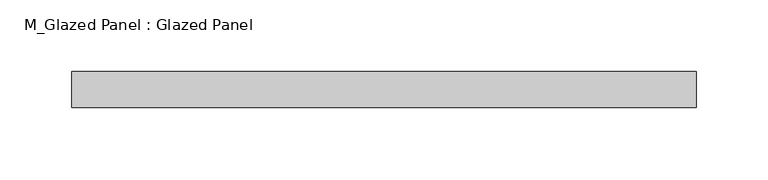
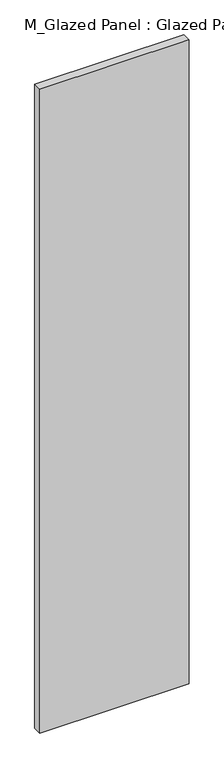
"""IFC4 building model written with IfcOpenShell, lengths in millimetres: plate geometry, M_Glazed Panel : Glazed Panel."""

import ifcopenshell
import ifcopenshell.guid

model = None  # the IFC model being written
_history = None  # IfcOwnerHistory: only IFC2X3 demands one
_inside = {}  # id of a spatial element -> (the spatial element, [elements in it])
_under = {}  # id of a project, library or spatial element -> (it, [spatial elements below it])
_declared = {}  # id of a project -> (the project, [libraries it declares])
_typed = {}  # id of a type object -> (the type object, [elements of that type])
_made_of = {}  # id of a material, layer set ... -> (it, [elements and type objects made of it])


def new_model(schema):
    """Start an empty IFC model of exactly this schema.

    Asked for "IFC4X3", IfcOpenShell would pick the latest addendum, in which some entities
    have other attributes; the version numbers below select the first issue.
    IFC2X3 requires an IfcOwnerHistory on every rooted entity: one is made here for all.
    """
    global model, _history
    if schema == "IFC4X3":
        model = ifcopenshell.file(schema_version=(4, 3, 0, 0))
    else:
        model = ifcopenshell.file(schema=schema)
    _inside.clear()
    _under.clear()
    _declared.clear()
    _typed.clear()
    _made_of.clear()
    _history = None
    if model.schema == "IFC2X3":
        org = make("IfcOrganization", Name="unknown")
        user = make(
            "IfcPersonAndOrganization",
            ThePerson=make("IfcPerson", FamilyName="unknown"),
            TheOrganization=org,
        )
        app = make(
            "IfcApplication",
            ApplicationDeveloper=org,
            Version="unknown",
            ApplicationFullName="unknown",
            ApplicationIdentifier="unknown",
        )
        _history = make(
            "IfcOwnerHistory",
            OwningUser=user,
            OwningApplication=app,
            ChangeAction="ADDED",
            CreationDate=0,
        )
    return model


def make(cls, **values):
    """One entity of the class cls with the attributes given. An attribute that is None is left unset."""
    return model.create_entity(
        cls, **{name: value for name, value in values.items() if value is not None}
    )


def rooted(cls, **values):
    """An entity with a GlobalId (a new one), such as an element, a storey or a relation."""
    return make(cls, GlobalId=ifcopenshell.guid.new(), OwnerHistory=_history, **values)


def si_unit(unit_type, name, prefix=None):
    """IfcSIUnit, for example si_unit("LENGTHUNIT", "METRE", prefix="MILLI")."""
    return make("IfcSIUnit", UnitType=unit_type, Prefix=prefix, Name=name)


def assignment(units):
    """IfcUnitAssignment: the units of a project."""
    return None if units is None else make("IfcUnitAssignment", Units=units)


def point(xyz):
    """IfcCartesianPoint."""
    return None if xyz is None else make("IfcCartesianPoint", Coordinates=xyz)


def direction(xyz):
    """IfcDirection."""
    return None if xyz is None else make("IfcDirection", DirectionRatios=xyz)


def frame(location, z_axis=None, x_axis=None):
    """IfcAxis2Placement3D, a coordinate frame: its origin and axes. An axis left out is left unset."""
    return make(
        "IfcAxis2Placement3D",
        Location=point(location),
        Axis=direction(z_axis),
        RefDirection=direction(x_axis),
    )


def origin():
    """The frame at (0, 0, 0) with its axes left unset."""
    return frame((0.0, 0.0, 0.0))


def origin_with_axes():
    """The frame at (0, 0, 0) with the z axis (0, 0, 1) and the x axis (1, 0, 0) written out."""
    return frame((0.0, 0.0, 0.0), z_axis=(0.0, 0.0, 1.0), x_axis=(1.0, 0.0, 0.0))


def place(relative_to, where):
    """IfcLocalPlacement: puts the frame where relative to a parent placement (None: the world)."""
    return make(
        "IfcLocalPlacement", PlacementRelTo=relative_to, RelativePlacement=where
    )


def context(
    kind, dimensions, precision=None, world=None, true_north=None, identifier=None
):
    """IfcGeometricRepresentationContext, for example the 3D "Model" context."""
    return make(
        "IfcGeometricRepresentationContext",
        ContextIdentifier=identifier,
        ContextType=kind,
        CoordinateSpaceDimension=dimensions,
        Precision=precision,
        WorldCoordinateSystem=world,
        TrueNorth=true_north,
    )


def project(units=None, contexts=None):
    """IfcProject with its units and contexts."""
    return rooted(
        "IfcProject",
        Name="project",
        RepresentationContexts=contexts,
        UnitsInContext=assignment(units),
    )


def spatial(cls, under=None, at=None, **own):
    """A site, building, storey or space (cls), placed at a placement, below another one or the project."""
    s = rooted(cls, ObjectPlacement=at, **own)
    if under is not None:
        _under.setdefault(under.id(), (under, []))[1].append(s)
    return s


def polyline(points):
    """IfcPolyline through the points."""
    return make("IfcPolyline", Points=[point(p) for p in points])


def outline(outer, holes=None, kind="AREA"):
    """IfcArbitraryClosedProfileDef: a profile drawn as a closed curve; with holes, ...WithVoids."""
    if holes is None:
        return make("IfcArbitraryClosedProfileDef", ProfileType=kind, OuterCurve=outer)
    return make(
        "IfcArbitraryProfileDefWithVoids",
        ProfileType=kind,
        OuterCurve=outer,
        InnerCurves=holes,
    )


def extrude(swept, where, along, depth):
    """IfcExtrudedAreaSolid: the profile swept, set in the frame where, extruded along a direction by depth."""
    return make(
        "IfcExtrudedAreaSolid",
        SweptArea=swept,
        Position=where,
        ExtrudedDirection=direction(along),
        Depth=depth,
    )


def shape(context_of_items, identifier, shape_type, items):
    """IfcShapeRepresentation: the items that make up one representation, for example the "Body"."""
    return make(
        "IfcShapeRepresentation",
        ContextOfItems=context_of_items,
        RepresentationIdentifier=identifier,
        RepresentationType=shape_type,
        Items=items,
    )


def source(mapping_origin, context_of_items, identifier, shape_type, items):
    """IfcRepresentationMap: a shape defined once, which mapped items show again and again."""
    return make(
        "IfcRepresentationMap",
        MappingOrigin=mapping_origin,
        MappedRepresentation=shape(context_of_items, identifier, shape_type, items),
    )


def transform(
    local_origin,
    x_axis=None,
    y_axis=None,
    z_axis=None,
    scale=None,
    scale2=None,
    scale3=None,
    uniform=True,
):
    """IfcCartesianTransformationOperator3D, or its non-uniform kind. x_axis, y_axis, z_axis: its Axis1, 2, 3."""
    if uniform:
        return make(
            "IfcCartesianTransformationOperator3D",
            Axis1=direction(x_axis),
            Axis2=direction(y_axis),
            LocalOrigin=point(local_origin),
            Scale=scale,
            Axis3=direction(z_axis),
        )
    return make(
        "IfcCartesianTransformationOperator3DnonUniform",
        Axis1=direction(x_axis),
        Axis2=direction(y_axis),
        LocalOrigin=point(local_origin),
        Scale=scale,
        Axis3=direction(z_axis),
        Scale2=scale2,
        Scale3=scale3,
    )


def mapped(mapping_source, mapping_target):
    """IfcMappedItem: shows the shape of a source again, moved by a transform."""
    return make(
        "IfcMappedItem", MappingSource=mapping_source, MappingTarget=mapping_target
    )


def made_of(thing, what):
    """Note that an element or type object is made of a material, layer set ...; save() writes the relation."""
    if what is not None:
        _made_of.setdefault(what.id(), (what, []))[1].append(thing)
    return thing


def element(
    cls,
    number,
    at=None,
    inside=None,
    cuts=None,
    type_object=None,
    material=None,
    context=None,
    identifier="Body",
    shape_type=None,
    held_by="IfcProductDefinitionShape",
    body=None,
    shapes=None,
    **own,
):
    """One element of the class cls, such as IfcWall. Its Tag is "e" and its number.

    at: its placement. inside: the storey or other place that contains it. cuts: it is an
    opening in that element (IfcRelVoidsElement). A single representation is given by context,
    identifier, shape_type and body (its items); several are given by shapes. held_by: the class
    of the entity that holds the representations. save() writes the other relations.
    """
    e = rooted(cls, Tag="e%d" % number, ObjectPlacement=at, **own)
    if body is not None:
        shapes = [shape(context, identifier, shape_type, body)]
    if shapes is not None:
        e.Representation = make(held_by, Representations=shapes)
    if inside is not None:
        _inside.setdefault(inside.id(), (inside, []))[1].append(e)
    if cuts is not None:
        rooted(
            "IfcRelVoidsElement", RelatingBuildingElement=cuts, RelatedOpeningElement=e
        )
    if type_object is not None:
        _typed.setdefault(type_object.id(), (type_object, []))[1].append(e)
    return made_of(e, material)


def aggregate(whole, parts):
    """IfcRelAggregates: a whole, such as a stair, and the parts it consists of."""
    return rooted("IfcRelAggregates", RelatingObject=whole, RelatedObjects=parts)


def save(model, path):
    """Write the relations noted so far, then the file.

    IfcRelAggregates (storeys below a building ...), IfcRelContainedInSpatialStructure (elements
    in a storey), IfcRelDefinesByType, IfcRelAssociatesMaterial and IfcRelDeclares: one each for
    every whole, place, type object, material and project.
    """
    for whole, parts in _under.values():
        aggregate(whole, parts)
    for where, things in _inside.values():
        rooted(
            "IfcRelContainedInSpatialStructure",
            RelatedElements=things,
            RelatingStructure=where,
        )
    for kind, things in _typed.values():
        rooted("IfcRelDefinesByType", RelatedObjects=things, RelatingType=kind)
    for what, things in _made_of.values():
        rooted("IfcRelAssociatesMaterial", RelatedObjects=things, RelatingMaterial=what)
    for by, libraries in _declared.values():
        rooted("IfcRelDeclares", RelatingContext=by, RelatedDefinitions=libraries)
    model.write(path)


def m_glazed_panel_glazed_panel_b6855dd6(model_context):
    return source(origin(), model_context, "Body", "SweptSolid", [
        extrude(outline(polyline([(216.7342697, -38.5), (216.7342697, -63.5), (-216.7342697, -63.5), (-216.7342697, -38.5), (216.7342697, -38.5)])), origin_with_axes(), (0.0, 0.0, 1.0), 1975.0),
    ])


if __name__ == "__main__":
    model = new_model("IFC4")
    model_context = context("Model", 3, world=origin())
    ifc_project = project(units=[si_unit("LENGTHUNIT", "METRE", prefix="MILLI")], contexts=[model_context])
    site = spatial("IfcSite", under=ifc_project)
    building = spatial("IfcBuilding", under=site)
    placement = place(None, origin())
    m_glazed_panel_glazed_panel_shape = m_glazed_panel_glazed_panel_b6855dd6(model_context)
    element("IfcPlate", 1, ObjectType="M_Glazed Panel : Glazed Panel", at=placement, inside=building, context=model_context, shape_type="MappedRepresentation", body=[
        mapped(m_glazed_panel_glazed_panel_shape, transform((0.0, 0.0, 0.0), x_axis=(1.0, 0.0, 0.0), y_axis=(0.0, 1.0, 0.0), z_axis=(0.0, 0.0, 1.0))),
    ])
    save(model, "model.ifc")
